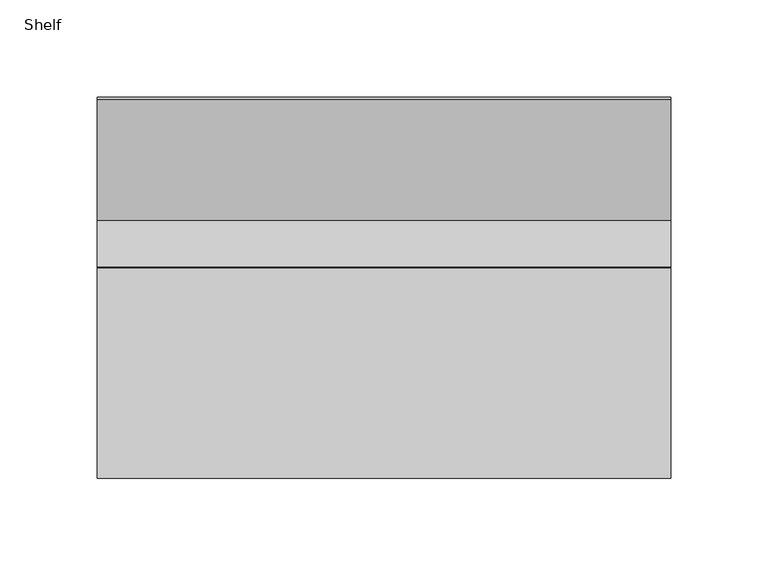
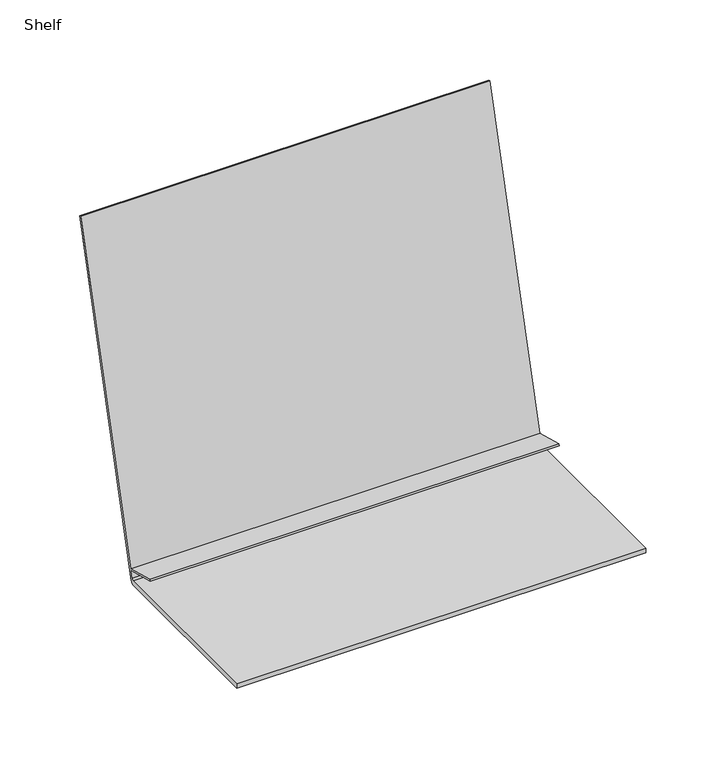
"""IFC4 building model written with IfcOpenShell, lengths in millimetres: furniture geometry, Shelf."""

from ifc_helpers import new_model, si_unit, point, frame, frame_2d, origin, place, context, project, spatial, polyline, circle_curve, trimmed, segment, composite_curve, outline, extrude, source, transform, mapped, element, save


def shelf_4b246993(model_context):
    return source(origin(), model_context, "Body", "SweptSolid", [
        extrude(outline(composite_curve([segment(polyline([(-127.0, 0.0), (-127.0, 3.175), (2.7672704, 3.175)]), True, "CONTINUOUS"), segment(trimmed(circle_curve(frame_2d((2.7672704, 4.7625)), 1.5875), [point((2.7672704, 3.175))], [point((4.3005084, 4.3509937))], True, "CARTESIAN"), True, "CONTINUOUS"), segment(polyline([(4.3005084, 4.3509937), (5.6388256, 9.337451), (-18.4545749, 15.7932608), (-18.1403379, 16.9660087), (5.9535451, 10.5100697), (68.0254466, 241.7847621), (69.2031, 241.4686913), (4.8686654, 1.7639905)]), True, "CONTINUOUS"), segment(trimmed(circle_curve(frame_2d((2.5688084, 2.38125)), 2.38125), [point((4.8686654, 1.7639905))], [point((2.5688084, 0.0))], False, "CARTESIAN"), True, "CONTINUOUS"), segment(polyline([(2.5688084, 0.0), (-127.0, 0.0)]), True, "CONTINUOUS")], self_intersect=False)), frame((17.4625, 0.0, 0.0), z_axis=(1.0, 0.0, 0.0), x_axis=(0.0, 1.0, 0.0)), (0.0, 0.0, 1.0), 295.275),
    ])


if __name__ == "__main__":
    model = new_model("IFC4")
    model_context = context("Model", 3, world=origin())
    ifc_project = project(units=[si_unit("LENGTHUNIT", "METRE", prefix="MILLI")], contexts=[model_context])
    site = spatial("IfcSite", under=ifc_project)
    building = spatial("IfcBuilding", under=site)
    placement = place(None, origin())
    shelf_shape = shelf_4b246993(model_context)
    element("IfcFurniture", 1, ObjectType="Shelf", at=placement, inside=building, context=model_context, shape_type="MappedRepresentation", body=[
        mapped(shelf_shape, transform((0.0, 0.0, 0.0), x_axis=(1.0, 0.0, 0.0), y_axis=(0.0, 1.0, 0.0), z_axis=(0.0, 0.0, 1.0))),
    ])
    save(model, "model.ifc")
